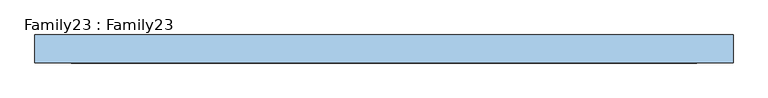
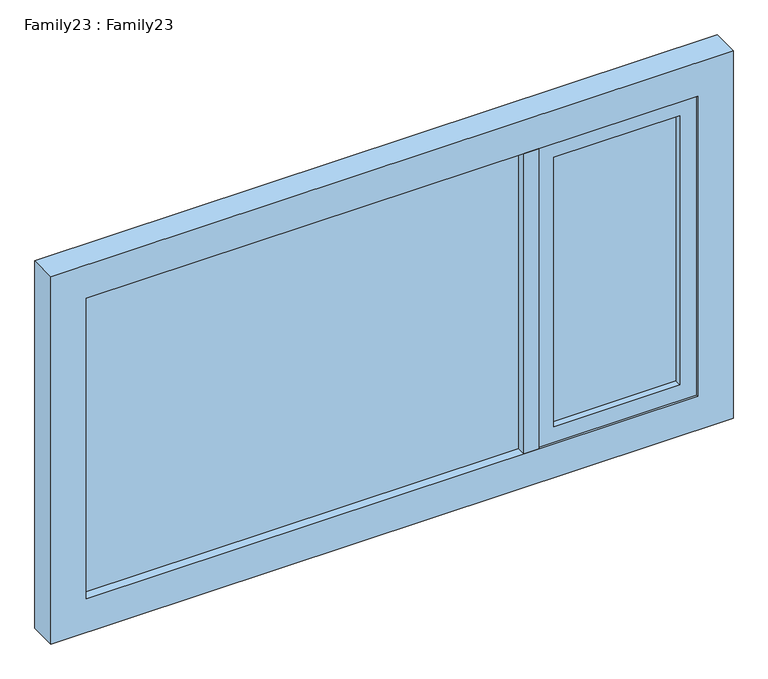
"""IFC4 building model written with IfcOpenShell, lengths in millimetres: window geometry, Family23 : Family23."""

from ifc_helpers import new_model, si_unit, frame, origin, place, context, project, spatial, polyline, outline, extrude, source, transform, mapped, element, save


def family23_family23_64dd972f(model_context):
    return source(origin(), model_context, "Body", "SweptSolid", [
        extrude(outline(polyline([(886.0, 14.0), (886.0, 10.0), (500.0, 10.0), (500.0, 14.0), (886.0, 14.0)])), frame((0.0, 0.0, 959.0), z_axis=(0.0, 0.0, 1.0), x_axis=(1.0, 0.0, 0.0)), (0.0, 0.0, 1.0), 872.0),
        extrude(outline(polyline([(500.0, -14.0), (500.0, -10.0), (886.0, -10.0), (886.0, -14.0), (500.0, -14.0)])), frame((0.0, 0.0, 959.0), z_axis=(0.0, 0.0, 1.0), x_axis=(1.0, 0.0, 0.0)), (0.0, 0.0, 1.0), 872.0),
        extrude(outline(polyline([(403.8050141, 14.0), (403.8050141, 10.0), (-936.0, 10.0), (-936.0, 14.0), (403.8050141, 14.0)])), frame((0.0, 0.0, 909.0), z_axis=(0.0, 0.0, 1.0), x_axis=(1.0, 0.0, 0.0)), (0.0, 0.0, 1.0), 972.0),
        extrude(outline(polyline([(-936.0, -14.0), (-936.0, -10.0), (403.8050141, -10.0), (403.8050141, -14.0), (-936.0, -14.0)])), frame((0.0, 0.0, 909.0), z_axis=(0.0, 0.0, 1.0), x_axis=(1.0, 0.0, 0.0)), (0.0, 0.0, 1.0), 972.0),
        extrude(outline(polyline([(450.0, -42.0), (403.8050141, -42.0), (403.8050141, 42.0), (450.0, 42.0), (450.0, -42.0)])), frame((0.0, 0.0, 909.0), z_axis=(0.0, 0.0, 1.0), x_axis=(1.0, 0.0, 0.0)), (0.0, 0.0, 1.0), 972.0),
        extrude(outline(polyline([(1881.0, 936.0), (1881.0, 450.0), (909.0, 450.0), (909.0, 936.0), (1881.0, 936.0)]), holes=[polyline([(959.0, 500.0), (1831.0, 500.0), (1831.0, 886.0), (959.0, 886.0), (959.0, 500.0)])]), frame((0.0, -35.5110303, 0.0), z_axis=(0.0, 1.0, 0.0), x_axis=(0.0, 0.0, 1.0)), (0.0, 0.0, 1.0), 70.4146297),
        extrude(outline(polyline([(1990.0, 1045.0), (1990.0, -1045.0), (800.0, -1045.0), (800.0, 1045.0), (1990.0, 1045.0)]), holes=[polyline([(909.0, 936.0), (909.0, -936.0), (1881.0, -936.0), (1881.0, 936.0), (909.0, 936.0)])]), frame((0.0, -42.0, 0.0), z_axis=(0.0, 1.0, 0.0), x_axis=(0.0, 0.0, 1.0)), (0.0, 0.0, 1.0), 84.0),
    ])


if __name__ == "__main__":
    model = new_model("IFC4")
    model_context = context("Model", 3, world=origin())
    ifc_project = project(units=[si_unit("LENGTHUNIT", "METRE", prefix="MILLI")], contexts=[model_context])
    site = spatial("IfcSite", under=ifc_project)
    building = spatial("IfcBuilding", under=site)
    placement = place(None, origin())
    family23_family23_shape = family23_family23_64dd972f(model_context)
    element("IfcWindow", 1, ObjectType="Family23 : Family23", at=placement, inside=building, context=model_context, shape_type="MappedRepresentation", body=[
        mapped(family23_family23_shape, transform((0.0, 0.0, 0.0), x_axis=(1.0, 0.0, 0.0), y_axis=(0.0, 1.0, 0.0), z_axis=(0.0, 0.0, 1.0))),
    ])
    save(model, "model.ifc")
